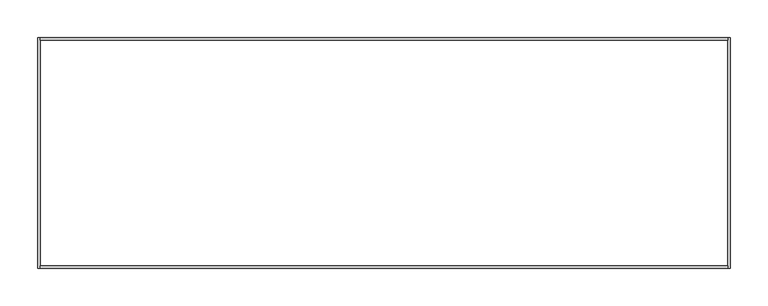
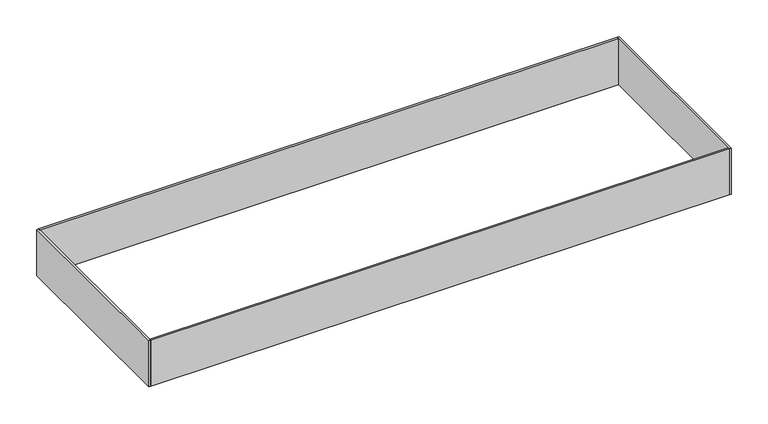
"""IFC4 building model written with IfcOpenShell, lengths in millimetres: proxy geometry."""

from ifc_helpers import new_model, si_unit, frame, origin, place, context, project, spatial, polyline, outline, extrude, source, transform, mapped, element, save


def generic_models_9315c878(model_context):
    return source(origin(), model_context, "Body", "SweptSolid", [
        extrude(outline(polyline([(454.025, -149.225), (454.025, -152.4), (-454.025, -152.4), (-454.025, -149.225), (454.025, -149.225)])), frame((0.0, 0.0, -25.4), z_axis=(0.0, 0.0, 1.0), x_axis=(1.0, 0.0, 0.0)), (0.0, 0.0, 1.0), 76.2),
        extrude(outline(polyline([(454.025, 152.4), (454.025, 149.225), (-454.025, 149.225), (-454.025, 152.4), (454.025, 152.4)])), frame((0.0, 0.0, -25.4), z_axis=(0.0, 0.0, 1.0), x_axis=(1.0, 0.0, 0.0)), (0.0, 0.0, 1.0), 76.2),
        extrude(outline(polyline([(-454.025, -152.4), (-457.2, -152.4), (-457.2, 152.4), (-454.025, 152.4), (-454.025, -152.4)])), frame((0.0, 0.0, -25.4), z_axis=(0.0, 0.0, 1.0), x_axis=(1.0, 0.0, 0.0)), (0.0, 0.0, 1.0), 76.2),
        extrude(outline(polyline([(457.2, -152.4), (454.025, -152.4), (454.025, 152.4), (457.2, 152.4), (457.2, -152.4)])), frame((0.0, 0.0, -25.4), z_axis=(0.0, 0.0, 1.0), x_axis=(1.0, 0.0, 0.0)), (0.0, 0.0, 1.0), 76.2),
    ])


if __name__ == "__main__":
    model = new_model("IFC4")
    model_context = context("Model", 3, world=origin())
    ifc_project = project(units=[si_unit("LENGTHUNIT", "METRE", prefix="MILLI")], contexts=[model_context])
    site = spatial("IfcSite", under=ifc_project)
    building = spatial("IfcBuilding", under=site)
    placement = place(None, origin())
    generic_models_shape = generic_models_9315c878(model_context)
    element("IfcBuildingElementProxy", 1, Name="Generic Models", at=placement, inside=building, context=model_context, shape_type="MappedRepresentation", body=[
        mapped(generic_models_shape, transform((0.0, 0.0, 0.0), x_axis=(1.0, 0.0, 0.0), y_axis=(0.0, 1.0, 0.0), z_axis=(0.0, 0.0, 1.0))),
    ])
    save(model, "model.ifc")
